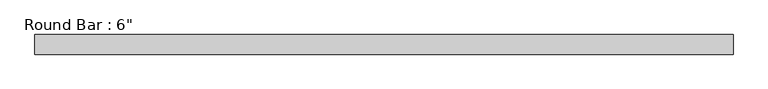
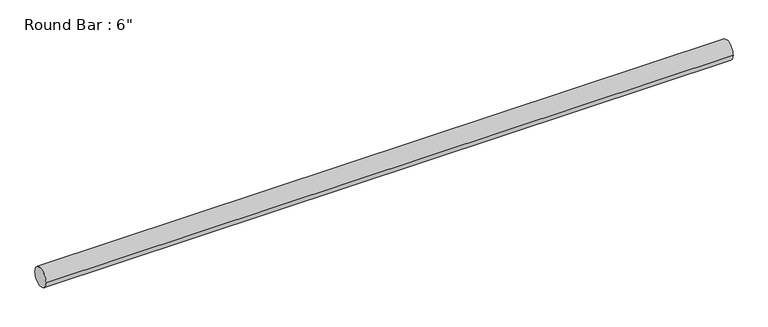
"""IFC4 building model written with IfcOpenShell, lengths in millimetres: beam geometry."""

from ifc_helpers import new_model, si_unit, point, frame, origin, origin_2d, place, context, project, spatial, circle_curve, trimmed, segment, composite_curve, outline, extrude, source, transform, mapped, element, save


def beam_f6ff0cd3(model_context):
    return source(origin(), model_context, "Body", "SweptSolid", [
        extrude(outline(composite_curve([segment(trimmed(circle_curve(origin_2d(), 76.2), [point((-76.2, 0.0))], [point((76.2, 0.0))], False, "CARTESIAN"), True, "CONTINUOUS"), segment(trimmed(circle_curve(origin_2d(), 76.2), [point((76.2, 0.0))], [point((-76.2, 0.0))], False, "CARTESIAN"), True, "CONTINUOUS")], self_intersect=False)), frame((-2710.8558792, 0.0, 0.0), z_axis=(1.0, 0.0, 0.0), x_axis=(0.0, 1.0, 0.0)), (0.0, 0.0, 1.0), 5421.7117584),
    ])


if __name__ == "__main__":
    model = new_model("IFC4")
    model_context = context("Model", 3, world=origin())
    ifc_project = project(units=[si_unit("LENGTHUNIT", "METRE", prefix="MILLI")], contexts=[model_context])
    site = spatial("IfcSite", under=ifc_project)
    building = spatial("IfcBuilding", under=site)
    placement = place(None, origin())
    beam_shape = beam_f6ff0cd3(model_context)
    element("IfcBeam", 1, ObjectType="Round Bar : 6\"", at=placement, inside=building, context=model_context, shape_type="MappedRepresentation", body=[
        mapped(beam_shape, transform((0.0, 0.0, 0.0), x_axis=(1.0, 0.0, 0.0), y_axis=(0.0, 1.0, 0.0), z_axis=(0.0, 0.0, 1.0))),
    ])
    save(model, "model.ifc")
